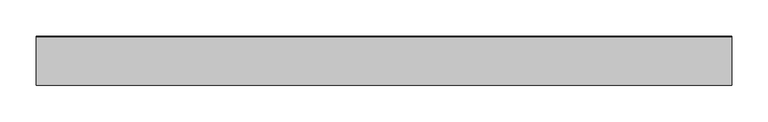
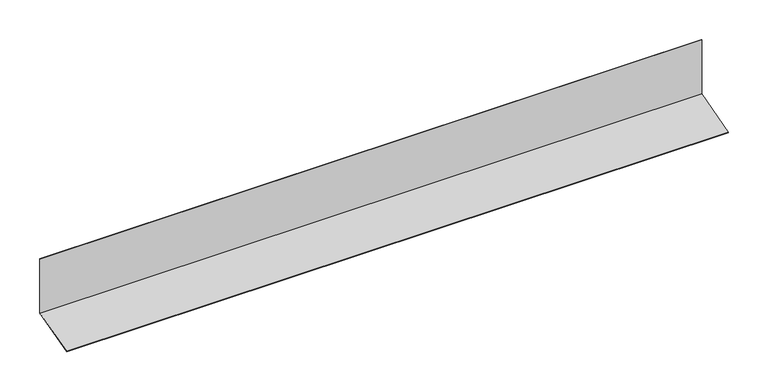
"""IFC4 building model written with IfcOpenShell, lengths in millimetres: proxy geometry."""

from ifc_helpers import new_model, si_unit, frame, origin, place, context, project, spatial, polyline, outline, extrude, source, transform, mapped, element, save


def generic_models_f73f978f(model_context):
    return source(origin(), model_context, "Body", "SweptSolid", [
        extrude(outline(polyline([(-10092.2979315, 1779.4460745), (-10092.2979315, 1862.5913228), (-10091.2979315, 1862.5913228), (-10091.2979315, 1778.6787475), (-10159.553268, 1760.3897852), (-10159.812087, 1761.355711), (-10092.2979315, 1779.4460745)])), frame((-8189.9537432, 0.0, 0.0), z_axis=(1.0, 0.0, 0.0), x_axis=(0.0, 1.0, 0.0)), (0.0, 0.0, 1.0), 965.0),
    ])


if __name__ == "__main__":
    model = new_model("IFC4")
    model_context = context("Model", 3, world=origin())
    ifc_project = project(units=[si_unit("LENGTHUNIT", "METRE", prefix="MILLI")], contexts=[model_context])
    site = spatial("IfcSite", under=ifc_project)
    building = spatial("IfcBuilding", under=site)
    placement = place(None, origin())
    generic_models_shape = generic_models_f73f978f(model_context)
    element("IfcBuildingElementProxy", 1, Name="Generic Models", at=placement, inside=building, context=model_context, shape_type="MappedRepresentation", body=[
        mapped(generic_models_shape, transform((0.0, 0.0, 0.0), x_axis=(1.0, 0.0, 0.0), y_axis=(0.0, 1.0, 0.0), z_axis=(0.0, 0.0, 1.0))),
    ])
    save(model, "model.ifc")
